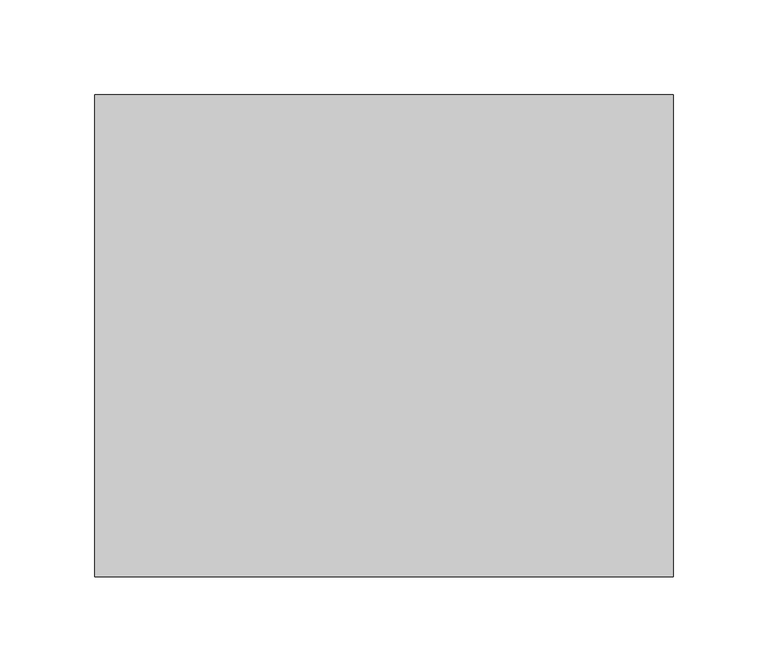
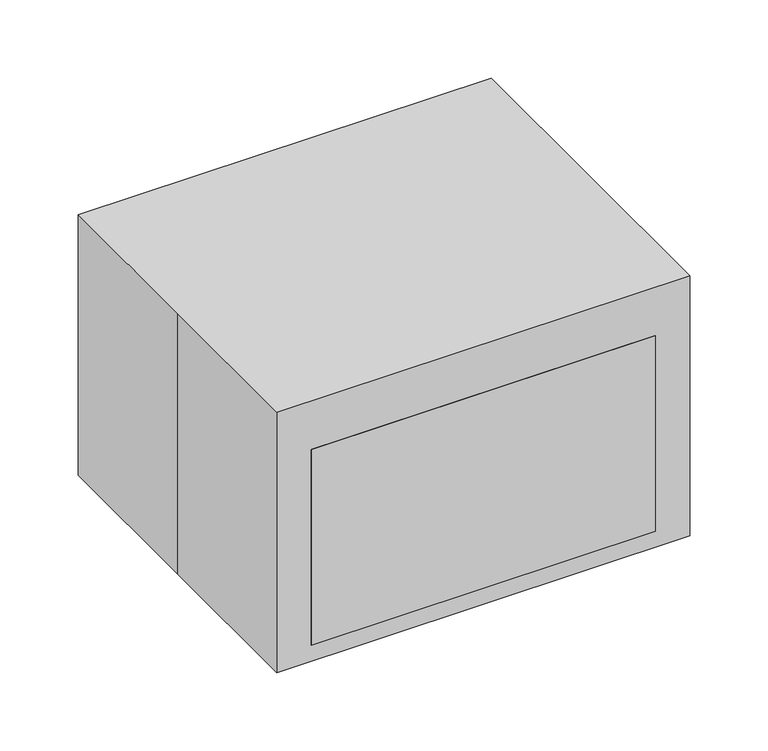
"""IFC4 building model written with IfcOpenShell, lengths in millimetres: proxy geometry."""

from ifc_helpers import new_model, si_unit, point, frame, frame_2d, origin, origin_with_axes, place, context, project, spatial, polyline, circle_curve, trimmed, segment, composite_curve, outline, extrude, source, transform, mapped, element, save


def specialty_equipment_21770c65(model_context):
    return source(origin(), model_context, "Body", "SweptSolid", [
        extrude(outline(polyline([(87.4226458, 111.6814346), (77.3397529, 119.5590539), (81.863601, 124.0829021), (91.9464939, 116.2052827), (87.4226458, 111.6814346)])), frame((73.2042554, 0.0, 0.0), z_axis=(1.0, 0.0, 0.0), x_axis=(0.0, 1.0, 0.0)), (0.0, 0.0, 1.0), 25.4),
        extrude(outline(polyline([(87.4226458, 111.6814346), (77.3397529, 119.5590539), (81.863601, 124.0829021), (91.9464939, 116.2052827), (87.4226458, 111.6814346)])), frame((28.7542554, 0.0, 0.0), z_axis=(1.0, 0.0, 0.0), x_axis=(0.0, 1.0, 0.0)), (0.0, 0.0, 1.0), 25.4),
        extrude(outline(polyline([(55.8617084, 136.3395413), (45.7788155, 144.2171607), (50.3026636, 148.7410088), (60.3855565, 140.8633895), (55.8617084, 136.3395413)])), frame((73.2042554, 0.0, 0.0), z_axis=(1.0, 0.0, 0.0), x_axis=(0.0, 1.0, 0.0)), (0.0, 0.0, 1.0), 25.4),
        extrude(outline(polyline([(55.8617084, 136.3395413), (45.7788155, 144.2171607), (50.3026636, 148.7410088), (60.3855565, 140.8633895), (55.8617084, 136.3395413)])), frame((28.7542554, 0.0, 0.0), z_axis=(1.0, 0.0, 0.0), x_axis=(0.0, 1.0, 0.0)), (0.0, 0.0, 1.0), 25.4),
        extrude(outline(composite_curve([segment(polyline([(33.7327088, 153.6286106), (42.712965, 162.6088667)]), True, "CONTINUOUS"), segment(trimmed(circle_curve(frame_2d((56.5346579, 118.8219332)), 45.9166064), [point((42.712965, 162.6088667))], [point((101.9491245, 125.5940061))], False, "CARTESIAN"), True, "CONTINUOUS"), segment(polyline([(101.9491245, 125.5940061), (106.2128414, 97.0009248), (33.7327088, 153.6286106)]), True, "CONTINUOUS")], self_intersect=False)), frame((-101.6, 0.0, 0.0), z_axis=(1.0, 0.0, 0.0), x_axis=(0.0, 1.0, 0.0)), (0.0, 0.0, 1.0), 76.2),
        extrude(outline(polyline([(-127.0, 12.7), (-127.0, 165.1), (19.05, 165.1), (127.0, 80.7602166), (127.0, 12.7), (-100.4754994, 12.7), (-127.0, 12.7)])), frame((-127.0, 0.0, 0.0), z_axis=(1.0, 0.0, 0.0), x_axis=(0.0, 1.0, 0.0)), (0.0, 0.0, 1.0), 254.0),
        extrude(outline(composite_curve([segment(trimmed(circle_curve(frame_2d((-89.7287569, 87.7754994)), 12.7), [point((-77.0287569, 87.7754994))], [point((-102.4287569, 87.7754994))], False, "CARTESIAN"), True, "CONTINUOUS"), segment(trimmed(circle_curve(frame_2d((-89.7287569, 87.7754994)), 12.7), [point((-102.4287569, 87.7754994))], [point((-77.0287569, 87.7754994))], False, "CARTESIAN"), True, "CONTINUOUS")], self_intersect=False)), origin_with_axes(), (0.0, 0.0, 1.0), 12.7),
        extrude(outline(composite_curve([segment(trimmed(circle_curve(frame_2d((-89.7287569, -87.7754994)), 12.7), [point((-77.0287569, -87.7754994))], [point((-102.4287569, -87.7754994))], False, "CARTESIAN"), True, "CONTINUOUS"), segment(trimmed(circle_curve(frame_2d((-89.7287569, -87.7754994)), 12.7), [point((-102.4287569, -87.7754994))], [point((-77.0287569, -87.7754994))], False, "CARTESIAN"), True, "CONTINUOUS")], self_intersect=False)), origin_with_axes(), (0.0, 0.0, 1.0), 12.7),
        extrude(outline(composite_curve([segment(trimmed(circle_curve(frame_2d((89.7287569, 87.7754994)), 12.7), [point((77.0287569, 87.7754994))], [point((102.4287569, 87.7754994))], False, "CARTESIAN"), True, "CONTINUOUS"), segment(trimmed(circle_curve(frame_2d((89.7287569, 87.7754994)), 12.7), [point((102.4287569, 87.7754994))], [point((77.0287569, 87.7754994))], False, "CARTESIAN"), True, "CONTINUOUS")], self_intersect=False)), origin_with_axes(), (0.0, 0.0, 1.0), 12.7),
        extrude(outline(composite_curve([segment(trimmed(circle_curve(frame_2d((89.7287569, -87.7754994)), 12.7), [point((77.0287569, -87.7754994))], [point((102.4287569, -87.7754994))], False, "CARTESIAN"), True, "CONTINUOUS"), segment(trimmed(circle_curve(frame_2d((89.7287569, -87.7754994)), 12.7), [point((102.4287569, -87.7754994))], [point((77.0287569, -87.7754994))], False, "CARTESIAN"), True, "CONTINUOUS")], self_intersect=False)), origin_with_axes(), (0.0, 0.0, 1.0), 12.7),
        extrude(outline(polyline([(-152.4, -127.0), (-152.4, 0.0), (-152.4, 127.0), (152.4, 127.0), (152.4, -127.0), (-152.4, -127.0)])), origin_with_axes(), (0.0, 0.0, 1.0), 203.2),
    ])


if __name__ == "__main__":
    model = new_model("IFC4")
    model_context = context("Model", 3, world=origin())
    ifc_project = project(units=[si_unit("LENGTHUNIT", "METRE", prefix="MILLI")], contexts=[model_context])
    site = spatial("IfcSite", under=ifc_project)
    building = spatial("IfcBuilding", under=site)
    placement = place(None, origin())
    specialty_equipment_shape = specialty_equipment_21770c65(model_context)
    element("IfcBuildingElementProxy", 1, Name="Specialty Equipment", at=placement, inside=building, context=model_context, shape_type="MappedRepresentation", body=[
        mapped(specialty_equipment_shape, transform((0.0, 0.0, 0.0), x_axis=(1.0, 0.0, 0.0), y_axis=(0.0, 1.0, 0.0), z_axis=(0.0, 0.0, 1.0))),
    ])
    save(model, "model.ifc")
